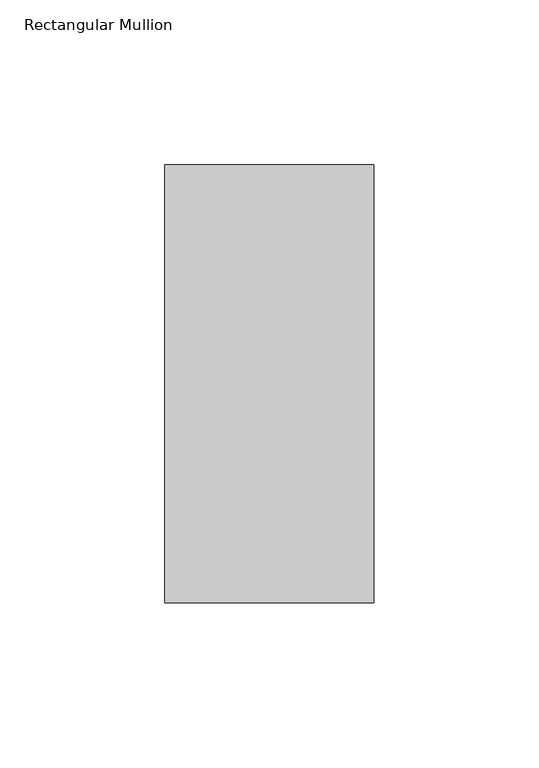
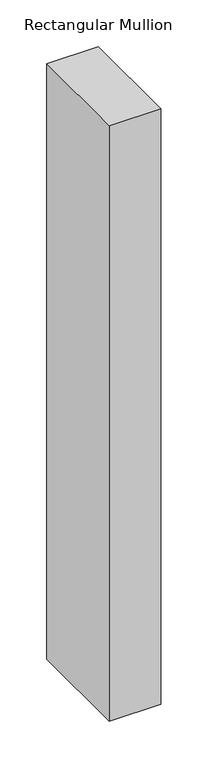
"""IFC4 building model written with IfcOpenShell, lengths in millimetres: member geometry, Rectangular Mullion."""

from ifc_helpers import new_model, si_unit, frame, origin, place, context, project, spatial, polyline, outline, extrude, source, transform, mapped, element, save


def rectangular_mullion_ac8e9f80(model_context):
    return source(origin(), model_context, "Body", "SweptSolid", [
        extrude(outline(polyline([(31.75, 190.0936), (31.75, 57.15), (-31.75, 57.15), (-31.75, 190.0936), (31.75, 190.0936)])), frame((0.0, 0.0, -774.7000005), z_axis=(0.0, 0.0, 1.0), x_axis=(1.0, 0.0, 0.0)), (0.0, 0.0, 1.0), 774.7000005),
    ])


if __name__ == "__main__":
    model = new_model("IFC4")
    model_context = context("Model", 3, world=origin())
    ifc_project = project(units=[si_unit("LENGTHUNIT", "METRE", prefix="MILLI")], contexts=[model_context])
    site = spatial("IfcSite", under=ifc_project)
    building = spatial("IfcBuilding", under=site)
    placement = place(None, origin())
    rectangular_mullion_shape = rectangular_mullion_ac8e9f80(model_context)
    element("IfcMember", 1, ObjectType="Rectangular Mullion", at=placement, inside=building, context=model_context, shape_type="MappedRepresentation", body=[
        mapped(rectangular_mullion_shape, transform((0.0, 0.0, 0.0), x_axis=(1.0, 0.0, 0.0), y_axis=(0.0, 1.0, 0.0), z_axis=(0.0, 0.0, 1.0))),
    ])
    save(model, "model.ifc")
